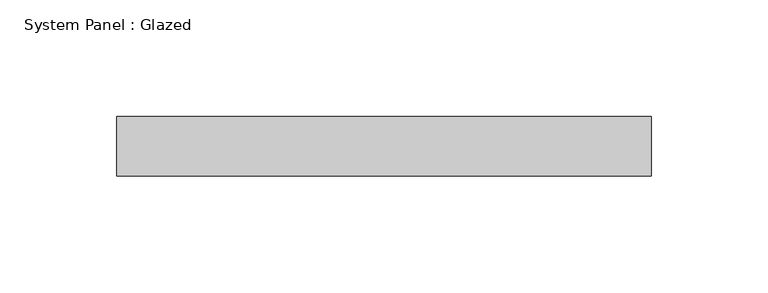
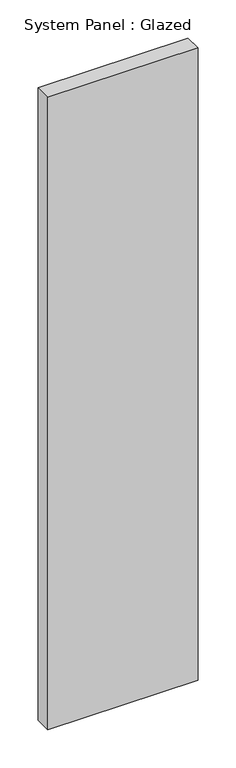
"""IFC4 building model written with IfcOpenShell, lengths in millimetres: plate geometry, System Panel : Glazed."""

import ifcopenshell
import ifcopenshell.guid

model = None  # the IFC model being written
_history = None  # IfcOwnerHistory: only IFC2X3 demands one
_inside = {}  # id of a spatial element -> (the spatial element, [elements in it])
_under = {}  # id of a project, library or spatial element -> (it, [spatial elements below it])
_declared = {}  # id of a project -> (the project, [libraries it declares])
_typed = {}  # id of a type object -> (the type object, [elements of that type])
_made_of = {}  # id of a material, layer set ... -> (it, [elements and type objects made of it])


def new_model(schema):
    """Start an empty IFC model of exactly this schema.

    Asked for "IFC4X3", IfcOpenShell would pick the latest addendum, in which some entities
    have other attributes; the version numbers below select the first issue.
    IFC2X3 requires an IfcOwnerHistory on every rooted entity: one is made here for all.
    """
    global model, _history
    if schema == "IFC4X3":
        model = ifcopenshell.file(schema_version=(4, 3, 0, 0))
    else:
        model = ifcopenshell.file(schema=schema)
    _inside.clear()
    _under.clear()
    _declared.clear()
    _typed.clear()
    _made_of.clear()
    _history = None
    if model.schema == "IFC2X3":
        org = make("IfcOrganization", Name="unknown")
        user = make(
            "IfcPersonAndOrganization",
            ThePerson=make("IfcPerson", FamilyName="unknown"),
            TheOrganization=org,
        )
        app = make(
            "IfcApplication",
            ApplicationDeveloper=org,
            Version="unknown",
            ApplicationFullName="unknown",
            ApplicationIdentifier="unknown",
        )
        _history = make(
            "IfcOwnerHistory",
            OwningUser=user,
            OwningApplication=app,
            ChangeAction="ADDED",
            CreationDate=0,
        )
    return model


def make(cls, **values):
    """One entity of the class cls with the attributes given. An attribute that is None is left unset."""
    return model.create_entity(
        cls, **{name: value for name, value in values.items() if value is not None}
    )


def rooted(cls, **values):
    """An entity with a GlobalId (a new one), such as an element, a storey or a relation."""
    return make(cls, GlobalId=ifcopenshell.guid.new(), OwnerHistory=_history, **values)


def si_unit(unit_type, name, prefix=None):
    """IfcSIUnit, for example si_unit("LENGTHUNIT", "METRE", prefix="MILLI")."""
    return make("IfcSIUnit", UnitType=unit_type, Prefix=prefix, Name=name)


def assignment(units):
    """IfcUnitAssignment: the units of a project."""
    return None if units is None else make("IfcUnitAssignment", Units=units)


def point(xyz):
    """IfcCartesianPoint."""
    return None if xyz is None else make("IfcCartesianPoint", Coordinates=xyz)


def direction(xyz):
    """IfcDirection."""
    return None if xyz is None else make("IfcDirection", DirectionRatios=xyz)


def frame(location, z_axis=None, x_axis=None):
    """IfcAxis2Placement3D, a coordinate frame: its origin and axes. An axis left out is left unset."""
    return make(
        "IfcAxis2Placement3D",
        Location=point(location),
        Axis=direction(z_axis),
        RefDirection=direction(x_axis),
    )


def origin():
    """The frame at (0, 0, 0) with its axes left unset."""
    return frame((0.0, 0.0, 0.0))


def origin_with_axes():
    """The frame at (0, 0, 0) with the z axis (0, 0, 1) and the x axis (1, 0, 0) written out."""
    return frame((0.0, 0.0, 0.0), z_axis=(0.0, 0.0, 1.0), x_axis=(1.0, 0.0, 0.0))


def place(relative_to, where):
    """IfcLocalPlacement: puts the frame where relative to a parent placement (None: the world)."""
    return make(
        "IfcLocalPlacement", PlacementRelTo=relative_to, RelativePlacement=where
    )


def context(
    kind, dimensions, precision=None, world=None, true_north=None, identifier=None
):
    """IfcGeometricRepresentationContext, for example the 3D "Model" context."""
    return make(
        "IfcGeometricRepresentationContext",
        ContextIdentifier=identifier,
        ContextType=kind,
        CoordinateSpaceDimension=dimensions,
        Precision=precision,
        WorldCoordinateSystem=world,
        TrueNorth=true_north,
    )


def project(units=None, contexts=None):
    """IfcProject with its units and contexts."""
    return rooted(
        "IfcProject",
        Name="project",
        RepresentationContexts=contexts,
        UnitsInContext=assignment(units),
    )


def spatial(cls, under=None, at=None, **own):
    """A site, building, storey or space (cls), placed at a placement, below another one or the project."""
    s = rooted(cls, ObjectPlacement=at, **own)
    if under is not None:
        _under.setdefault(under.id(), (under, []))[1].append(s)
    return s


def polyline(points):
    """IfcPolyline through the points."""
    return make("IfcPolyline", Points=[point(p) for p in points])


def outline(outer, holes=None, kind="AREA"):
    """IfcArbitraryClosedProfileDef: a profile drawn as a closed curve; with holes, ...WithVoids."""
    if holes is None:
        return make("IfcArbitraryClosedProfileDef", ProfileType=kind, OuterCurve=outer)
    return make(
        "IfcArbitraryProfileDefWithVoids",
        ProfileType=kind,
        OuterCurve=outer,
        InnerCurves=holes,
    )


def extrude(swept, where, along, depth):
    """IfcExtrudedAreaSolid: the profile swept, set in the frame where, extruded along a direction by depth."""
    return make(
        "IfcExtrudedAreaSolid",
        SweptArea=swept,
        Position=where,
        ExtrudedDirection=direction(along),
        Depth=depth,
    )


def shape(context_of_items, identifier, shape_type, items):
    """IfcShapeRepresentation: the items that make up one representation, for example the "Body"."""
    return make(
        "IfcShapeRepresentation",
        ContextOfItems=context_of_items,
        RepresentationIdentifier=identifier,
        RepresentationType=shape_type,
        Items=items,
    )


def source(mapping_origin, context_of_items, identifier, shape_type, items):
    """IfcRepresentationMap: a shape defined once, which mapped items show again and again."""
    return make(
        "IfcRepresentationMap",
        MappingOrigin=mapping_origin,
        MappedRepresentation=shape(context_of_items, identifier, shape_type, items),
    )


def transform(
    local_origin,
    x_axis=None,
    y_axis=None,
    z_axis=None,
    scale=None,
    scale2=None,
    scale3=None,
    uniform=True,
):
    """IfcCartesianTransformationOperator3D, or its non-uniform kind. x_axis, y_axis, z_axis: its Axis1, 2, 3."""
    if uniform:
        return make(
            "IfcCartesianTransformationOperator3D",
            Axis1=direction(x_axis),
            Axis2=direction(y_axis),
            LocalOrigin=point(local_origin),
            Scale=scale,
            Axis3=direction(z_axis),
        )
    return make(
        "IfcCartesianTransformationOperator3DnonUniform",
        Axis1=direction(x_axis),
        Axis2=direction(y_axis),
        LocalOrigin=point(local_origin),
        Scale=scale,
        Axis3=direction(z_axis),
        Scale2=scale2,
        Scale3=scale3,
    )


def mapped(mapping_source, mapping_target):
    """IfcMappedItem: shows the shape of a source again, moved by a transform."""
    return make(
        "IfcMappedItem", MappingSource=mapping_source, MappingTarget=mapping_target
    )


def made_of(thing, what):
    """Note that an element or type object is made of a material, layer set ...; save() writes the relation."""
    if what is not None:
        _made_of.setdefault(what.id(), (what, []))[1].append(thing)
    return thing


def element(
    cls,
    number,
    at=None,
    inside=None,
    cuts=None,
    type_object=None,
    material=None,
    context=None,
    identifier="Body",
    shape_type=None,
    held_by="IfcProductDefinitionShape",
    body=None,
    shapes=None,
    **own,
):
    """One element of the class cls, such as IfcWall. Its Tag is "e" and its number.

    at: its placement. inside: the storey or other place that contains it. cuts: it is an
    opening in that element (IfcRelVoidsElement). A single representation is given by context,
    identifier, shape_type and body (its items); several are given by shapes. held_by: the class
    of the entity that holds the representations. save() writes the other relations.
    """
    e = rooted(cls, Tag="e%d" % number, ObjectPlacement=at, **own)
    if body is not None:
        shapes = [shape(context, identifier, shape_type, body)]
    if shapes is not None:
        e.Representation = make(held_by, Representations=shapes)
    if inside is not None:
        _inside.setdefault(inside.id(), (inside, []))[1].append(e)
    if cuts is not None:
        rooted(
            "IfcRelVoidsElement", RelatingBuildingElement=cuts, RelatedOpeningElement=e
        )
    if type_object is not None:
        _typed.setdefault(type_object.id(), (type_object, []))[1].append(e)
    return made_of(e, material)


def aggregate(whole, parts):
    """IfcRelAggregates: a whole, such as a stair, and the parts it consists of."""
    return rooted("IfcRelAggregates", RelatingObject=whole, RelatedObjects=parts)


def save(model, path):
    """Write the relations noted so far, then the file.

    IfcRelAggregates (storeys below a building ...), IfcRelContainedInSpatialStructure (elements
    in a storey), IfcRelDefinesByType, IfcRelAssociatesMaterial and IfcRelDeclares: one each for
    every whole, place, type object, material and project.
    """
    for whole, parts in _under.values():
        aggregate(whole, parts)
    for where, things in _inside.values():
        rooted(
            "IfcRelContainedInSpatialStructure",
            RelatedElements=things,
            RelatingStructure=where,
        )
    for kind, things in _typed.values():
        rooted("IfcRelDefinesByType", RelatedObjects=things, RelatingType=kind)
    for what, things in _made_of.values():
        rooted("IfcRelAssociatesMaterial", RelatedObjects=things, RelatingMaterial=what)
    for by, libraries in _declared.values():
        rooted("IfcRelDeclares", RelatingContext=by, RelatedDefinitions=libraries)
    model.write(path)


def system_panel_glazed_b7532de0(model_context):
    return source(origin(), model_context, "Body", "SweptSolid", [
        extrude(outline(polyline([(114.3, 19.05), (-114.3, 19.05), (-114.3, 44.45), (114.3, 44.45), (114.3, 19.05)])), origin_with_axes(), (0.0, 0.0, 1.0), 1016.0),
    ])


if __name__ == "__main__":
    model = new_model("IFC4")
    model_context = context("Model", 3, world=origin())
    ifc_project = project(units=[si_unit("LENGTHUNIT", "METRE", prefix="MILLI")], contexts=[model_context])
    site = spatial("IfcSite", under=ifc_project)
    building = spatial("IfcBuilding", under=site)
    placement = place(None, origin())
    system_panel_glazed_shape = system_panel_glazed_b7532de0(model_context)
    element("IfcPlate", 1, ObjectType="System Panel : Glazed", at=placement, inside=building, context=model_context, shape_type="MappedRepresentation", body=[
        mapped(system_panel_glazed_shape, transform((0.0, 0.0, 0.0), x_axis=(1.0, 0.0, 0.0), y_axis=(0.0, 1.0, 0.0), z_axis=(0.0, 0.0, 1.0))),
    ])
    save(model, "model.ifc")
